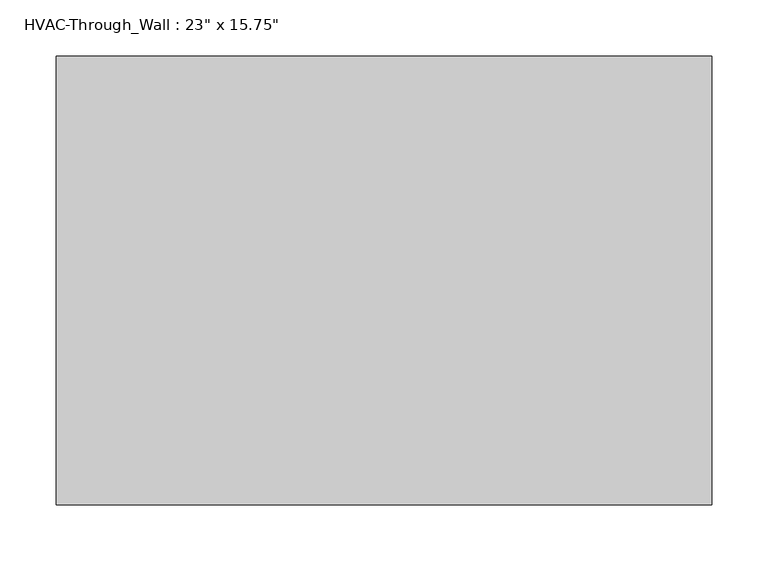
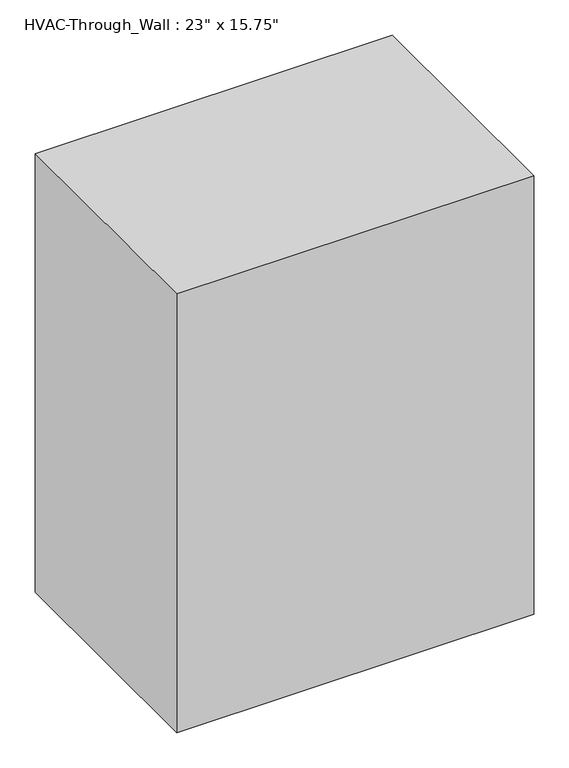
"""IFC4 building model written with IfcOpenShell, lengths in millimetres: proxy geometry."""

from ifc_helpers import new_model, si_unit, frame, origin, place, context, project, spatial, polyline, outline, extrude, source, transform, mapped, element, save


def proxy_43c7cc5e(model_context):
    return source(origin(), model_context, "Body", "SweptSolid", [
        extrude(outline(polyline([(292.1, 400.05), (292.1, 0.0), (-292.1, 0.0), (-292.1, 400.05), (292.1, 400.05)])), frame((0.0, 0.0, -203.2), z_axis=(0.0, 0.0, 1.0), x_axis=(1.0, 0.0, 0.0)), (0.0, 0.0, 1.0), 758.825),
    ])


if __name__ == "__main__":
    model = new_model("IFC4")
    model_context = context("Model", 3, world=origin())
    ifc_project = project(units=[si_unit("LENGTHUNIT", "METRE", prefix="MILLI")], contexts=[model_context])
    site = spatial("IfcSite", under=ifc_project)
    building = spatial("IfcBuilding", under=site)
    placement = place(None, origin())
    proxy_shape = proxy_43c7cc5e(model_context)
    element("IfcBuildingElementProxy", 1, Name="HVAC-Through_Wall : 23\" x 15.75\"", ObjectType="HVAC-Through_Wall : 23\" x 15.75\"", at=placement, inside=building, context=model_context, shape_type="MappedRepresentation", body=[
        mapped(proxy_shape, transform((0.0, 0.0, 0.0), x_axis=(1.0, 0.0, 0.0), y_axis=(0.0, 1.0, 0.0), z_axis=(0.0, 0.0, 1.0))),
    ])
    save(model, "model.ifc")
